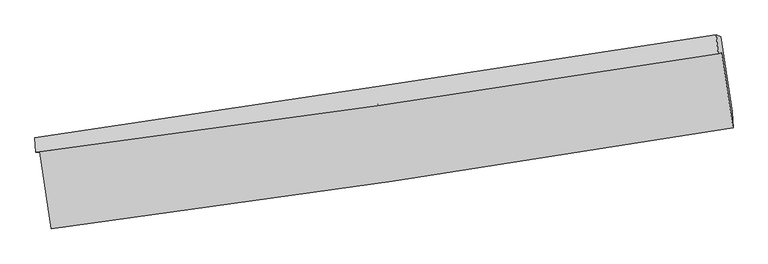
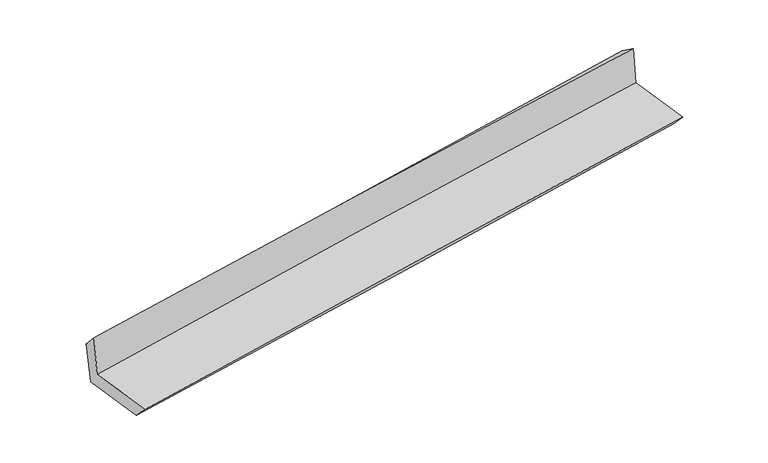
"""IFC4 building model written with IfcOpenShell, lengths in millimetres: proxy geometry."""

from ifc_helpers import new_model, si_unit, frame, origin, place, context, project, spatial, source, transform, mapped, element, save
from ifc_brep_helpers import plane_surface, spline_curve, spline_surface, advanced_brep


def generic_models_382d4152(model_context):
    return source(origin(), model_context, "Body", "AdvancedBrep", [
        advanced_brep(
        [(-2998.7242937, -1925.2614751, 1641.5605788), (-2896.7934887, -2594.8264993, 1641.5237847), (3046.7685762, -1713.2049867, 2149.8049367), (2946.6908462, -1060.876885, 2159.0429821), (-3032.1781626, -1927.6760491, 2045.2453421), (2916.0898499, -1071.0046696, 2542.6912676), (-3039.5926859, -1803.8978541, 1908.8410089), (2900.7536793, -905.7129575, 2425.4086811), (-3003.0640548, -1818.1248326, 1498.6939514), (2938.3420272, -923.573526, 2009.2152479), (-2905.9881219, -2452.519662, 1492.7002776), (3038.1353562, -1574.0478412, 2000.0034552)],
        [
            (0, 1),
            (1, 2, spline_curve(3, [(-2896.7934887, -2594.8264993, 1641.5237847), (-1905.67018897, -2464.74640309, 1750.164966844), (-914.796275439, -2326.235343567, 1846.843267495), (1066.391048295, -2032.360455152, 2016.268827249), (2056.704489788, -1876.99767723, 2089.017577341), (3046.7685762, -1713.2049867, 2149.8049367)], [4, 2, 4], [0.0, 9.893189244738487, 19.785761993623407])),
            (2, 3),
            (3, 0, spline_curve(3, [(2946.6908462, -1060.876885, 2159.0429821), (1955.644821038, -1215.736236427, 2093.74412714), (964.685981628, -1365.19588541, 2017.972836006), (-1017.11907602, -1653.32475507, 1845.480006966), (-2007.965282963, -1791.993302943, 1748.757163716), (-2998.7242937, -1925.2614751, 1641.5605788)], [4, 2, 4], [0.0, 9.89257274888492, 19.785761993623407])),
            (4, 0),
            (3, 5),
            (5, 4, spline_curve(3, [(2916.0898499, -1071.0046696, 2542.6912676), (1925.157509789, -1228.392365461, 2480.629442014), (934.017790193, -1378.47349826, 2408.146318589), (-1048.738188414, -1664.031535318, 2242.332309085), (-2040.354472865, -1799.50752908, 2149.000124212), (-3032.1781626, -1927.6760491, 2045.2453421)], [4, 2, 4], [0.0, 9.892548645944709, 19.785713786240912])),
            (6, 4),
            (5, 7),
            (7, 6, spline_curve(3, [(2900.7536793, -905.7129575, 2425.4086811), (1910.747100608, -1056.75591754, 2340.768935086), (920.730371988, -1207.123827563, 2255.403120101), (-1059.385081535, -1506.518877555, 2083.213986334), (-2049.483808485, -1655.545932701, 1996.390577499), (-3039.5926859, -1803.8978541, 1908.8410089)], [4, 2, 4], [0.0, 9.89180193817653, 19.784220324170427])),
            (8, 6),
            (7, 9),
            (9, 8, spline_curve(3, [(2938.3420272, -923.573526, 2009.2152479), (1947.551580084, -1068.734406707, 1923.243959732), (957.054600886, -1215.858405345, 1837.716185747), (-1023.41412984, -1514.041929624, 1667.542365082), (-2013.385844697, -1665.101699684, 1582.896373223), (-3003.0640548, -1818.1248326, 1498.6939514)], [4, 2, 4], [0.0, 9.891468977757828, 19.78355438258324])),
            (10, 8),
            (9, 11),
            (11, 10, spline_curve(3, [(3038.1353562, -1574.0478412, 2000.0034552), (2048.342440331, -1725.249905923, 1913.10256826), (1058.117807101, -1874.054717155, 1827.378140439), (-923.256632076, -2166.878956027, 1658.276934611), (-1914.406491037, -2310.898085383, 1574.900303123), (-2905.9881219, -2452.519662, 1492.7002776)], [4, 2, 4], [0.0, 9.891489037686613, 19.783594503690928])),
            (1, 10),
            (11, 2),
        ],
        [
            spline_surface(3, 3, [[(-2998.7242937, -1925.2614751, 1641.5605788), (-2007.965283123, -1791.993302956, 1748.757163593), (-1017.119075956, -1653.324755112, 1845.480006935), (964.685981564, -1365.195885369, 2017.972836037), (1955.644820991, -1215.73623654, 2093.74412718), (2946.6908462, -1060.876885, 2159.0429821)], [(-2964.747358674, -2148.449816468, 1641.54831408), (-1973.866918416, -2016.244336263, 1749.226431304), (-983.011475817, -1877.628284593, 1845.934427119), (998.587670488, -1587.584075349, 2017.404833115), (1989.331377248, -1436.156716743, 2092.168610539), (2980.050089526, -1278.319585559, 2155.963633646)], [(-2930.770423726, -2371.638157932, 1641.53604942), (-1939.768553787, -2240.495369665, 1749.695699075), (-948.903875648, -2101.931814, 1846.388847296), (1032.489359441, -1809.972265256, 2016.836830185), (2023.017933528, -1656.577196971, 2090.59309386), (3013.409332874, -1495.762286141, 2152.884285154)], [(-2896.7934887, -2594.8264993, 1641.5237847), (-1905.67018908, -2464.746402972, 1750.164966785), (-914.796275509, -2326.235343482, 1846.84326748), (1066.391048365, -2032.360455237, 2016.268827263), (2056.704489786, -1876.997677174, 2089.017577219), (3046.7685762, -1713.2049867, 2149.8049367)]], [4, 4], [4, 2, 4], [0.0, 2.2236192769338223], [0.0, 9.893189244738487, 19.785761993623407]),
            spline_surface(3, 3, [[(-3032.1781626, -1927.6760491, 2045.2453421), (-2040.354472748, -1799.50752908, 2149.000124067), (-1048.738188265, -1664.031535386, 2242.332309051), (934.017790044, -1378.473498191, 2408.146318623), (1925.157509747, -1228.392365366, 2480.629442131), (2916.0898499, -1071.0046696, 2542.6912676)], [(-3021.026872976, -1926.871191116, 1910.683754348), (-2029.558076216, -1797.002787055, 2015.585803924), (-1038.198484147, -1660.46260862, 2110.048208348), (944.240520566, -1374.047627242, 2278.088491098), (1935.319946849, -1224.17365575, 2351.667670466), (2926.29018202, -1067.628741393, 2414.808505752)], [(-3009.875583324, -1926.066333084, 1776.122166552), (-2018.761679655, -1794.498044981, 1882.171483736), (-1027.658780074, -1656.893681879, 1977.764107637), (954.463251042, -1369.621756318, 2148.030663563), (1945.482383889, -1219.954946155, 2222.705898845), (2936.49051408, -1064.252813207, 2286.925743948)], [(-2998.7242937, -1925.2614751, 1641.5605788), (-2007.965283123, -1791.993302956, 1748.757163593), (-1017.119075956, -1653.324755112, 1845.480006935), (964.685981564, -1365.195885369, 2017.972836037), (1955.644820991, -1215.73623654, 2093.74412718), (2946.6908462, -1060.876885, 2159.0429821)]], [4, 4], [4, 2, 4], [0.0, 1.2956879566583597], [0.0, 9.893165140296203, 19.785713786240912]),
            spline_surface(3, 3, [[(-3039.5926859, -1803.8978541, 1908.8410089), (-2049.483808322, -1655.545932704, 1996.390577497), (-1059.385081684, -1506.518877405, 2083.213986434), (920.730372137, -1207.123827713, 2255.40312), (1910.747100527, -1056.755917517, 2340.768935134), (2900.7536793, -905.7129575, 2425.4086811)], [(-3037.121178129, -1845.157252421, 1954.309119963), (-2046.44069646, -1703.533131483, 2047.26042635), (-1055.836117212, -1559.023096717, 2136.253427296), (925.159511438, -1264.240384524, 2306.317519531), (1915.550570242, -1113.968066815, 2387.389104136), (2905.865736142, -960.810194882, 2464.502876603)], [(-3034.649670371, -1886.416650779, 1999.777231037), (-2043.39758461, -1751.5203303, 2098.130275214), (-1052.287152736, -1611.527316075, 2189.292868189), (929.588650743, -1321.35694138, 2357.231919093), (1920.354040032, -1171.180216067, 2434.009273129), (2910.977793058, -1015.907432218, 2503.597072097)], [(-3032.1781626, -1927.6760491, 2045.2453421), (-2040.354472748, -1799.50752908, 2149.000124067), (-1048.738188265, -1664.031535386, 2242.332309051), (934.017790044, -1378.473498191, 2408.146318623), (1925.157509747, -1228.392365366, 2480.629442131), (2916.0898499, -1071.0046696, 2542.6912676)]], [4, 4], [4, 2, 4], [0.0, 0.7445059321133763], [0.0, 9.892418385993897, 19.784220324170427]),
            spline_surface(3, 3, [[(-3003.0640548, -1818.1248326, 1498.6939514), (-2013.385844617, -1665.101699763, 1582.896373307), (-1023.41412978, -1514.041929566, 1667.542365021), (957.054600826, -1215.858405404, 1837.716185807), (1947.551579933, -1068.734406699, 1923.243959583), (2938.3420272, -923.573526, 2009.2152479)], [(-3015.240265157, -1813.382506461, 1635.409637234), (-2025.418499176, -1661.916444104, 1720.727774705), (-1035.404447089, -1511.534245541, 1806.099572165), (944.946524589, -1212.946879535, 1976.945163878), (1935.283420132, -1064.741576962, 2062.418951427), (2925.812577901, -917.620003158, 2147.946392293)], [(-3027.416475543, -1808.640180239, 1772.125323066), (-2037.451153764, -1658.731188363, 1858.5591761), (-1047.394764375, -1509.02656143, 1944.656779291), (932.838448374, -1210.035353582, 2116.17414193), (1923.015260328, -1060.748747253, 2201.59394329), (2913.283128599, -911.666480342, 2286.677536707)], [(-3039.5926859, -1803.8978541, 1908.8410089), (-2049.483808322, -1655.545932704, 1996.390577497), (-1059.385081684, -1506.518877405, 2083.213986434), (920.730372137, -1207.123827713, 2255.40312), (1910.747100527, -1056.755917517, 2340.768935134), (2900.7536793, -905.7129575, 2425.4086811)]], [4, 4], [4, 2, 4], [0.0, 1.372451416440501], [0.0, 9.892085404825412, 19.78355438258324]),
            spline_surface(3, 3, [[(-2905.9881219, -2452.519662, 1492.7002776), (-1914.406491188, -2310.898085304, 1574.900303164), (-923.256631939, -2166.878956123, 1658.276934594), (1058.117806964, -1874.054717058, 1827.378140455), (2048.342440389, -1725.249905972, 1913.102568175), (3038.1353562, -1574.0478412, 2000.0034552)], [(-2938.346766216, -2241.054718866, 1494.698168878), (-1947.399609014, -2095.632623456, 1577.56565989), (-956.642464563, -1949.266613912, 1661.365411407), (1024.430071575, -1654.655946481, 1830.824155576), (2014.745486902, -1506.411406231, 1916.48303197), (3004.870913199, -1357.223069484, 2003.074052759)], [(-2970.705410484, -2029.589775734, 1496.696060122), (-1980.392726791, -1880.36716161, 1580.231016581), (-990.028297156, -1731.654271777, 1664.453888209), (990.742336216, -1435.257175981, 1834.270170687), (1981.148533419, -1287.572906439, 1919.863495788), (2971.606470201, -1140.398297716, 2006.144650341)], [(-3003.0640548, -1818.1248326, 1498.6939514), (-2013.385844617, -1665.101699763, 1582.896373307), (-1023.41412978, -1514.041929566, 1667.542365021), (957.054600826, -1215.858405404, 1837.716185807), (1947.551579933, -1068.734406699, 1923.243959583), (2938.3420272, -923.573526, 2009.2152479)]], [4, 4], [4, 2, 4], [0.0, 2.17606611238818], [0.0, 9.892105466004315, 19.783594503690928]),
            spline_surface(3, 3, [[(-2896.7934887, -2594.8264993, 1641.5237847), (-1905.67018908, -2464.746402972, 1750.164966785), (-914.796275509, -2326.235343482, 1846.84326748), (1066.391048365, -2032.360455237, 2016.268827263), (2056.704489786, -1876.997677174, 2089.017577219), (3046.7685762, -1713.2049867, 2149.8049367)], [(-2899.858366447, -2547.390886868, 1591.915948996), (-1908.582289796, -2413.463630417, 1691.743412241), (-917.616394305, -2273.116547692, 1783.98782318), (1063.633301245, -1979.59187584, 1953.305264989), (2053.917139999, -1826.415086765, 2030.379240884), (3043.890836212, -1666.819271525, 2099.871109546)], [(-2902.923244153, -2499.955274432, 1542.308113304), (-1911.494390471, -2362.180857859, 1633.321857708), (-920.436513143, -2219.997751913, 1721.132378895), (1060.875554084, -1926.823296455, 1890.34170273), (2051.129790176, -1775.832496381, 1971.74090451), (3041.013096188, -1620.433556375, 2049.937282354)], [(-2905.9881219, -2452.519662, 1492.7002776), (-1914.406491188, -2310.898085304, 1574.900303164), (-923.256631939, -2166.878956123, 1658.276934594), (1058.117806964, -1874.054717058, 1827.378140455), (2048.342440389, -1725.249905972, 1913.102568175), (3038.1353562, -1574.0478412, 2000.0034552)]], [4, 4], [4, 2, 4], [0.0, 0.8097480213829868], [0.0, 9.892466796361669, 19.78431714188927]),
            plane_surface(frame((2964.4633892, -1208.0701443, 2214.3610951), z_axis=(0.9852368372710361, 0.14998236650456126, 0.08254492244746443), x_axis=(-0.08986646991077081, 0.04270116496115981, 0.995038003342956))),
            plane_surface(frame((-2979.3901346, -2087.051062, 1704.7608239), z_axis=(-0.9852368372710458, -0.14998236650412763, -0.08254492244813359), x_axis=(-0.1505004055721395, 0.9886099458185018, 5.432642487383417e-05))),
        ],
        [
            (0, [[1, 2, 3, 4]]),
            (1, [[5, -4, 6, 7]]),
            (2, [[8, -7, 9, 10]]),
            (3, [[11, -10, 12, 13]]),
            (4, [[14, -13, 15, 16]]),
            (5, [[17, -16, 18, -2]]),
            (6, [[-12, -9, -6, -3, -18, -15]]),
            (7, [[-1, -5, -8, -11, -14, -17]]),
        ],
    ),
    ])


if __name__ == "__main__":
    model = new_model("IFC4")
    model_context = context("Model", 3, world=origin())
    ifc_project = project(units=[si_unit("LENGTHUNIT", "METRE", prefix="MILLI")], contexts=[model_context])
    site = spatial("IfcSite", under=ifc_project)
    building = spatial("IfcBuilding", under=site)
    placement = place(None, origin())
    generic_models_shape = generic_models_382d4152(model_context)
    element("IfcBuildingElementProxy", 1, Name="Generic Models", at=placement, inside=building, context=model_context, shape_type="MappedRepresentation", body=[
        mapped(generic_models_shape, transform((0.0, 0.0, 0.0), x_axis=(1.0, 0.0, 0.0), y_axis=(0.0, 1.0, 0.0), z_axis=(0.0, 0.0, 1.0))),
    ])
    save(model, "model.ifc")
